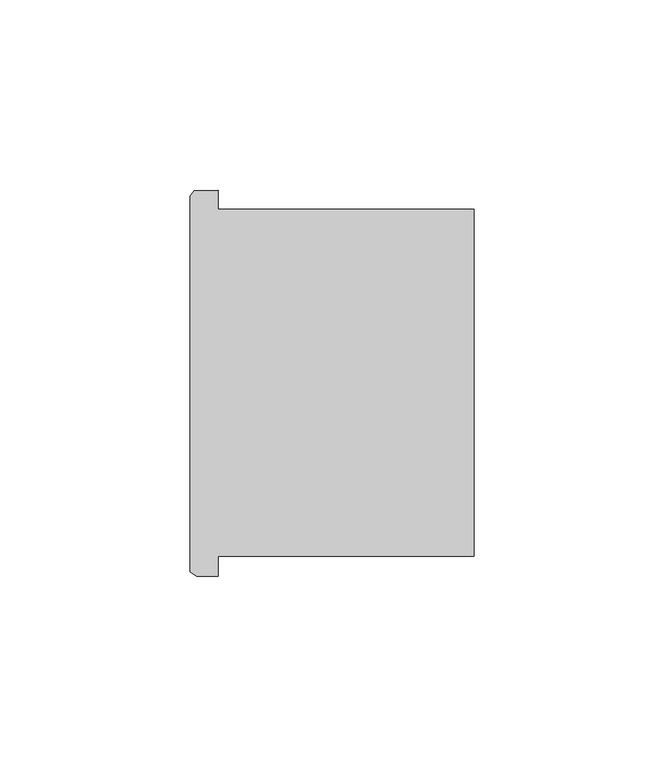
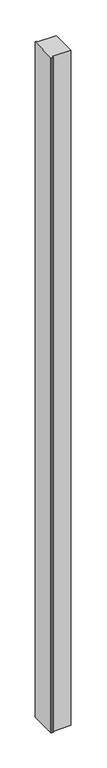
"""IFC4 building model written with IfcOpenShell, lengths in millimetres: column geometry."""

import ifcopenshell
import ifcopenshell.guid

model = None  # the IFC model being written
_history = None  # IfcOwnerHistory: only IFC2X3 demands one
_inside = {}  # id of a spatial element -> (the spatial element, [elements in it])
_under = {}  # id of a project, library or spatial element -> (it, [spatial elements below it])
_declared = {}  # id of a project -> (the project, [libraries it declares])
_typed = {}  # id of a type object -> (the type object, [elements of that type])
_made_of = {}  # id of a material, layer set ... -> (it, [elements and type objects made of it])


def new_model(schema):
    """Start an empty IFC model of exactly this schema.

    Asked for "IFC4X3", IfcOpenShell would pick the latest addendum, in which some entities
    have other attributes; the version numbers below select the first issue.
    IFC2X3 requires an IfcOwnerHistory on every rooted entity: one is made here for all.
    """
    global model, _history
    if schema == "IFC4X3":
        model = ifcopenshell.file(schema_version=(4, 3, 0, 0))
    else:
        model = ifcopenshell.file(schema=schema)
    _inside.clear()
    _under.clear()
    _declared.clear()
    _typed.clear()
    _made_of.clear()
    _history = None
    if model.schema == "IFC2X3":
        org = make("IfcOrganization", Name="unknown")
        user = make(
            "IfcPersonAndOrganization",
            ThePerson=make("IfcPerson", FamilyName="unknown"),
            TheOrganization=org,
        )
        app = make(
            "IfcApplication",
            ApplicationDeveloper=org,
            Version="unknown",
            ApplicationFullName="unknown",
            ApplicationIdentifier="unknown",
        )
        _history = make(
            "IfcOwnerHistory",
            OwningUser=user,
            OwningApplication=app,
            ChangeAction="ADDED",
            CreationDate=0,
        )
    return model


def make(cls, **values):
    """One entity of the class cls with the attributes given. An attribute that is None is left unset."""
    return model.create_entity(
        cls, **{name: value for name, value in values.items() if value is not None}
    )


def rooted(cls, **values):
    """An entity with a GlobalId (a new one), such as an element, a storey or a relation."""
    return make(cls, GlobalId=ifcopenshell.guid.new(), OwnerHistory=_history, **values)


def si_unit(unit_type, name, prefix=None):
    """IfcSIUnit, for example si_unit("LENGTHUNIT", "METRE", prefix="MILLI")."""
    return make("IfcSIUnit", UnitType=unit_type, Prefix=prefix, Name=name)


def assignment(units):
    """IfcUnitAssignment: the units of a project."""
    return None if units is None else make("IfcUnitAssignment", Units=units)


def point(xyz):
    """IfcCartesianPoint."""
    return None if xyz is None else make("IfcCartesianPoint", Coordinates=xyz)


def direction(xyz):
    """IfcDirection."""
    return None if xyz is None else make("IfcDirection", DirectionRatios=xyz)


def frame(location, z_axis=None, x_axis=None):
    """IfcAxis2Placement3D, a coordinate frame: its origin and axes. An axis left out is left unset."""
    return make(
        "IfcAxis2Placement3D",
        Location=point(location),
        Axis=direction(z_axis),
        RefDirection=direction(x_axis),
    )


def origin():
    """The frame at (0, 0, 0) with its axes left unset."""
    return frame((0.0, 0.0, 0.0))


def place(relative_to, where):
    """IfcLocalPlacement: puts the frame where relative to a parent placement (None: the world)."""
    return make(
        "IfcLocalPlacement", PlacementRelTo=relative_to, RelativePlacement=where
    )


def context(
    kind, dimensions, precision=None, world=None, true_north=None, identifier=None
):
    """IfcGeometricRepresentationContext, for example the 3D "Model" context."""
    return make(
        "IfcGeometricRepresentationContext",
        ContextIdentifier=identifier,
        ContextType=kind,
        CoordinateSpaceDimension=dimensions,
        Precision=precision,
        WorldCoordinateSystem=world,
        TrueNorth=true_north,
    )


def project(units=None, contexts=None):
    """IfcProject with its units and contexts."""
    return rooted(
        "IfcProject",
        Name="project",
        RepresentationContexts=contexts,
        UnitsInContext=assignment(units),
    )


def spatial(cls, under=None, at=None, **own):
    """A site, building, storey or space (cls), placed at a placement, below another one or the project."""
    s = rooted(cls, ObjectPlacement=at, **own)
    if under is not None:
        _under.setdefault(under.id(), (under, []))[1].append(s)
    return s


def polyline(points):
    """IfcPolyline through the points."""
    return make("IfcPolyline", Points=[point(p) for p in points])


def outline(outer, holes=None, kind="AREA"):
    """IfcArbitraryClosedProfileDef: a profile drawn as a closed curve; with holes, ...WithVoids."""
    if holes is None:
        return make("IfcArbitraryClosedProfileDef", ProfileType=kind, OuterCurve=outer)
    return make(
        "IfcArbitraryProfileDefWithVoids",
        ProfileType=kind,
        OuterCurve=outer,
        InnerCurves=holes,
    )


def extrude(swept, where, along, depth):
    """IfcExtrudedAreaSolid: the profile swept, set in the frame where, extruded along a direction by depth."""
    return make(
        "IfcExtrudedAreaSolid",
        SweptArea=swept,
        Position=where,
        ExtrudedDirection=direction(along),
        Depth=depth,
    )


def shape(context_of_items, identifier, shape_type, items):
    """IfcShapeRepresentation: the items that make up one representation, for example the "Body"."""
    return make(
        "IfcShapeRepresentation",
        ContextOfItems=context_of_items,
        RepresentationIdentifier=identifier,
        RepresentationType=shape_type,
        Items=items,
    )


def source(mapping_origin, context_of_items, identifier, shape_type, items):
    """IfcRepresentationMap: a shape defined once, which mapped items show again and again."""
    return make(
        "IfcRepresentationMap",
        MappingOrigin=mapping_origin,
        MappedRepresentation=shape(context_of_items, identifier, shape_type, items),
    )


def transform(
    local_origin,
    x_axis=None,
    y_axis=None,
    z_axis=None,
    scale=None,
    scale2=None,
    scale3=None,
    uniform=True,
):
    """IfcCartesianTransformationOperator3D, or its non-uniform kind. x_axis, y_axis, z_axis: its Axis1, 2, 3."""
    if uniform:
        return make(
            "IfcCartesianTransformationOperator3D",
            Axis1=direction(x_axis),
            Axis2=direction(y_axis),
            LocalOrigin=point(local_origin),
            Scale=scale,
            Axis3=direction(z_axis),
        )
    return make(
        "IfcCartesianTransformationOperator3DnonUniform",
        Axis1=direction(x_axis),
        Axis2=direction(y_axis),
        LocalOrigin=point(local_origin),
        Scale=scale,
        Axis3=direction(z_axis),
        Scale2=scale2,
        Scale3=scale3,
    )


def mapped(mapping_source, mapping_target):
    """IfcMappedItem: shows the shape of a source again, moved by a transform."""
    return make(
        "IfcMappedItem", MappingSource=mapping_source, MappingTarget=mapping_target
    )


def made_of(thing, what):
    """Note that an element or type object is made of a material, layer set ...; save() writes the relation."""
    if what is not None:
        _made_of.setdefault(what.id(), (what, []))[1].append(thing)
    return thing


def element(
    cls,
    number,
    at=None,
    inside=None,
    cuts=None,
    type_object=None,
    material=None,
    context=None,
    identifier="Body",
    shape_type=None,
    held_by="IfcProductDefinitionShape",
    body=None,
    shapes=None,
    **own,
):
    """One element of the class cls, such as IfcWall. Its Tag is "e" and its number.

    at: its placement. inside: the storey or other place that contains it. cuts: it is an
    opening in that element (IfcRelVoidsElement). A single representation is given by context,
    identifier, shape_type and body (its items); several are given by shapes. held_by: the class
    of the entity that holds the representations. save() writes the other relations.
    """
    e = rooted(cls, Tag="e%d" % number, ObjectPlacement=at, **own)
    if body is not None:
        shapes = [shape(context, identifier, shape_type, body)]
    if shapes is not None:
        e.Representation = make(held_by, Representations=shapes)
    if inside is not None:
        _inside.setdefault(inside.id(), (inside, []))[1].append(e)
    if cuts is not None:
        rooted(
            "IfcRelVoidsElement", RelatingBuildingElement=cuts, RelatedOpeningElement=e
        )
    if type_object is not None:
        _typed.setdefault(type_object.id(), (type_object, []))[1].append(e)
    return made_of(e, material)


def aggregate(whole, parts):
    """IfcRelAggregates: a whole, such as a stair, and the parts it consists of."""
    return rooted("IfcRelAggregates", RelatingObject=whole, RelatedObjects=parts)


def save(model, path):
    """Write the relations noted so far, then the file.

    IfcRelAggregates (storeys below a building ...), IfcRelContainedInSpatialStructure (elements
    in a storey), IfcRelDefinesByType, IfcRelAssociatesMaterial and IfcRelDeclares: one each for
    every whole, place, type object, material and project.
    """
    for whole, parts in _under.values():
        aggregate(whole, parts)
    for where, things in _inside.values():
        rooted(
            "IfcRelContainedInSpatialStructure",
            RelatedElements=things,
            RelatingStructure=where,
        )
    for kind, things in _typed.values():
        rooted("IfcRelDefinesByType", RelatedObjects=things, RelatingType=kind)
    for what, things in _made_of.values():
        rooted("IfcRelAssociatesMaterial", RelatedObjects=things, RelatingMaterial=what)
    for by, libraries in _declared.values():
        rooted("IfcRelDeclares", RelatingContext=by, RelatedDefinitions=libraries)
    model.write(path)


def column_929c1ee9(model_context):
    return source(origin(), model_context, "Body", "SweptSolid", [
        extrude(outline(polyline([(76231.3469274, -40158.389076), (76231.3469274, -40163.4833508), (76298.642043, -40163.4833508), (76298.642043, -40254.6932776), (76231.3469274, -40254.6932776), (76231.3469274, -40259.989076), (76225.654254, -40259.989076), (76223.886922, -40258.7550424), (76223.886922, -40160.0324052), (76224.9721116, -40158.5472164), (76231.3469274, -40158.389076)])), frame((0.0, 0.0, 4419.601524), z_axis=(0.0, 0.0, 1.0), x_axis=(1.0, 0.0, 0.0)), (0.0, 0.0, 1.0), 2590.800056),
        extrude(outline(polyline([(76231.3469274, -40158.389076), (76231.3469274, -40163.4833508), (76298.642043, -40163.4833508), (76298.642043, -40254.6932776), (76231.3469274, -40254.6932776), (76231.3469274, -40259.989076), (76225.654254, -40259.989076), (76223.886922, -40258.7550424), (76223.886922, -40160.0324052), (76224.9721116, -40158.5472164), (76231.3469274, -40158.389076)])), frame((0.0, 0.0, 4419.601524), z_axis=(0.0, 0.0, 1.0), x_axis=(1.0, 0.0, 0.0)), (0.0, 0.0, 1.0), 2590.800056),
    ])


if __name__ == "__main__":
    model = new_model("IFC4")
    model_context = context("Model", 3, world=origin())
    ifc_project = project(units=[si_unit("LENGTHUNIT", "METRE", prefix="MILLI")], contexts=[model_context])
    site = spatial("IfcSite", under=ifc_project)
    building = spatial("IfcBuilding", under=site)
    placement = place(None, origin())
    column_shape = column_929c1ee9(model_context)
    element("IfcColumn", 1, at=placement, inside=building, context=model_context, shape_type="MappedRepresentation", body=[
        mapped(column_shape, transform((0.0, 0.0, 0.0), x_axis=(1.0, 0.0, 0.0), y_axis=(0.0, 1.0, 0.0), z_axis=(0.0, 0.0, 1.0))),
    ])
    save(model, "model.ifc")
